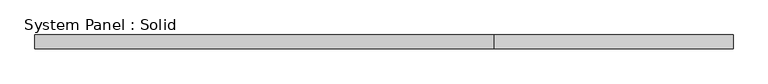
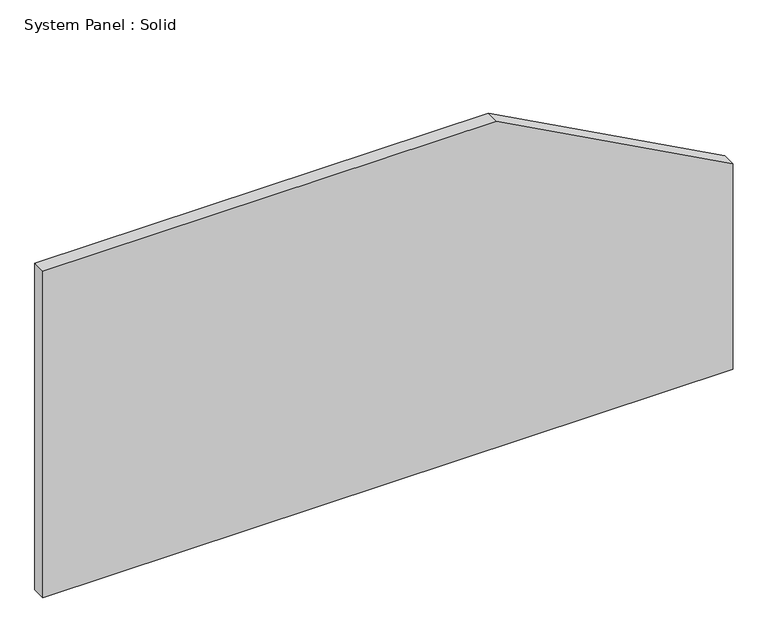
"""IFC4 building model written with IfcOpenShell, lengths in millimetres: plate geometry, System Panel : Solid."""

from ifc_helpers import new_model, si_unit, frame, origin, place, context, project, spatial, polyline, outline, extrude, source, transform, mapped, element, save


def system_panel_solid_88bebc87(model_context):
    return source(origin(), model_context, "Body", "SweptSolid", [
        extrude(outline(polyline([(0.0, -1500.0), (0.0, 1500.0), (944.9074697, 1500.0), (1500.0, 473.2382717), (1500.0, -1500.0), (0.0, -1500.0)])), frame((0.0, -10.5, 0.0), z_axis=(0.0, 1.0, 0.0), x_axis=(0.0, 0.0, 1.0)), (0.0, 0.0, 1.0), 60.0),
    ])


if __name__ == "__main__":
    model = new_model("IFC4")
    model_context = context("Model", 3, world=origin())
    ifc_project = project(units=[si_unit("LENGTHUNIT", "METRE", prefix="MILLI")], contexts=[model_context])
    site = spatial("IfcSite", under=ifc_project)
    building = spatial("IfcBuilding", under=site)
    placement = place(None, origin())
    system_panel_solid_shape = system_panel_solid_88bebc87(model_context)
    element("IfcPlate", 1, ObjectType="System Panel : Solid", at=placement, inside=building, context=model_context, shape_type="MappedRepresentation", body=[
        mapped(system_panel_solid_shape, transform((0.0, 0.0, 0.0), x_axis=(1.0, 0.0, 0.0), y_axis=(0.0, 1.0, 0.0), z_axis=(0.0, 0.0, 1.0))),
    ])
    save(model, "model.ifc")
